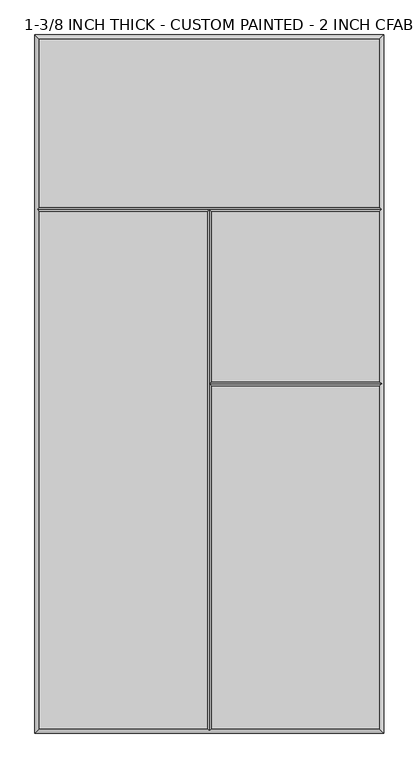
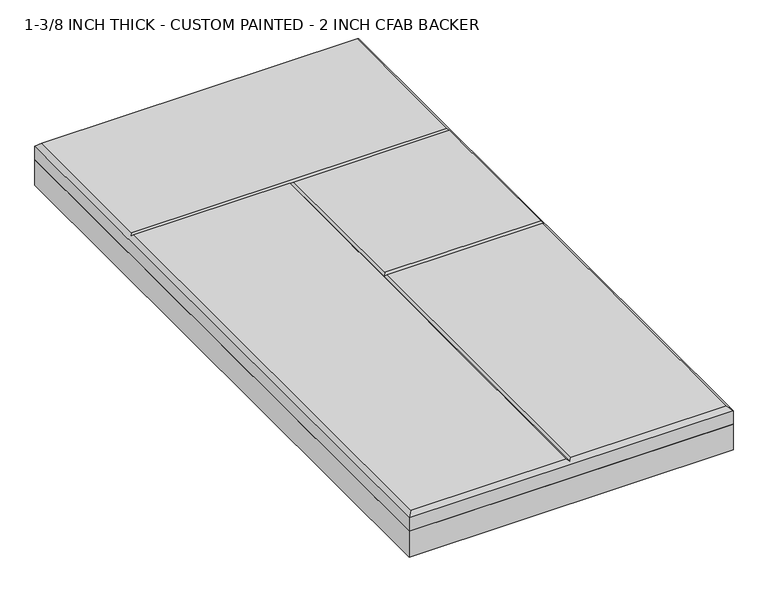
"""IFC4 building model written with IfcOpenShell, lengths in millimetres: proxy geometry, 1-3/8 INCH THICK - CUSTOM PAINTED - 2 INCH CFAB BACKER."""

from ifc_helpers import new_model, si_unit, frame, origin, place, context, project, spatial, polyline, outline, extrude, faceted_brep, source, transform, mapped, element, save


def proxy_1_3_8_inch_thick_custom_painted_2_inch_cfab_backer_9849985c(model_context):
    return source(origin(), model_context, "Body", "SolidModel", [
        extrude(outline(polyline([(-304.8, 609.6), (304.8, 609.6), (304.8, -609.6), (-304.8, -609.6), (-304.8, 609.6)])), frame((0.0, 0.0, -50.8), z_axis=(0.0, 0.0, 1.0), x_axis=(1.0, 0.0, 0.0)), (0.0, 0.0, 1.0), 50.8),
        faceted_brep([(296.799, 601.599, 34.925), (-296.799, 601.599, 34.925), (-296.799, 308.8005, 34.925), (296.799, 308.8005, 34.925), (-296.799, 300.7995, 34.925), (-296.799, -601.599, 34.925), (-4.0005, -601.599, 34.925), (-4.0005, 300.7995, 34.925), (4.0005, -601.599, 34.925), (296.799, -601.599, 34.925), (296.799, -4.0005, 34.925), (4.0005, -4.0005, 34.925), (296.799, 300.7995, 34.925), (4.0005, 300.7995, 34.925), (4.0005, 4.0005, 34.925), (296.799, 4.0005, 34.925), (-304.8, 609.6, 0.0), (304.8, 609.6, 0.0), (304.8, -609.6, 0.0), (-304.8, -609.6, 0.0), (-304.8, -609.6, 26.924), (-304.8, 609.6, 26.924), (304.8, -609.6, 26.924), (304.8, 609.6, 26.924), (-300.7995, 304.8, 30.9245), (0.0, -605.5995, 30.9245), (300.7995, 304.8, 30.9245), (300.7995, 0.0, 30.9245), (0.0, 304.8, 30.9245), (0.0, 0.0, 30.9245)], [[[0, 1, 2, 3]], [[4, 5, 6, 7]], [[8, 9, 10, 11]], [[12, 13, 14, 15]], [[16, 17, 18, 19]], [[16, 19, 20, 21]], [[19, 18, 22, 20]], [[18, 17, 23, 22]], [[17, 16, 21, 23]], [[21, 1, 0, 23]], [[1, 21, 20, 5, 4, 24, 2]], [[5, 20, 22, 9, 8, 25, 6]], [[23, 0, 3, 26, 12, 15, 27, 10, 9, 22]], [[24, 4, 7, 28]], [[12, 26, 28, 13]], [[3, 2, 24, 28, 26]], [[25, 8, 11, 29]], [[13, 28, 29, 14]], [[7, 6, 25, 29, 28]], [[27, 29, 11, 10]], [[29, 27, 15, 14]]]),
    ])


if __name__ == "__main__":
    model = new_model("IFC4")
    model_context = context("Model", 3, world=origin())
    ifc_project = project(units=[si_unit("LENGTHUNIT", "METRE", prefix="MILLI")], contexts=[model_context])
    site = spatial("IfcSite", under=ifc_project)
    building = spatial("IfcBuilding", under=site)
    placement = place(None, origin())
    proxy_1_3_8_inch_thick_custom_painted_2_inch_cfab_backer_shape = proxy_1_3_8_inch_thick_custom_painted_2_inch_cfab_backer_9849985c(model_context)
    element("IfcBuildingElementProxy", 1, Name="1-3/8 INCH THICK - CUSTOM PAINTED - 2 INCH CFAB BACKER", ObjectType="1-3/8 INCH THICK - CUSTOM PAINTED - 2 INCH CFAB BACKER", at=placement, inside=building, context=model_context, shape_type="MappedRepresentation", body=[
        mapped(proxy_1_3_8_inch_thick_custom_painted_2_inch_cfab_backer_shape, transform((0.0, 0.0, 0.0), x_axis=(1.0, 0.0, 0.0), y_axis=(0.0, 1.0, 0.0), z_axis=(0.0, 0.0, 1.0))),
    ])
    save(model, "model.ifc")
